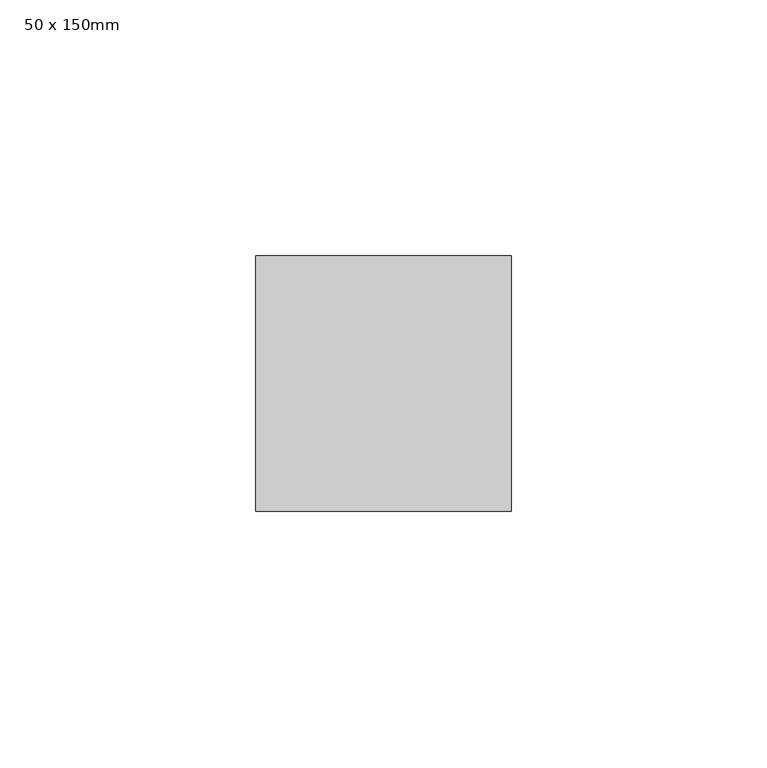
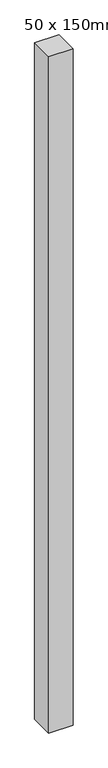
"""IFC4 building model written with IfcOpenShell, lengths in millimetres: member geometry, 50 x 150mm."""

from ifc_helpers import new_model, si_unit, frame, origin, place, context, project, spatial, polyline, outline, extrude, source, transform, mapped, element, save


def member_50_x_150mm_2f25e6bb(model_context):
    return source(origin(), model_context, "Body", "SweptSolid", [
        extrude(outline(polyline([(25.0, 25.0), (25.0, -25.0), (-25.0, -25.0), (-25.0, 25.0), (25.0, 25.0)])), frame((0.0, 0.0, -1470.0992803), z_axis=(0.0, 0.0, 1.0), x_axis=(1.0, 0.0, 0.0)), (0.0, 0.0, 1.0), 1470.0992803),
    ])


if __name__ == "__main__":
    model = new_model("IFC4")
    model_context = context("Model", 3, world=origin())
    ifc_project = project(units=[si_unit("LENGTHUNIT", "METRE", prefix="MILLI")], contexts=[model_context])
    site = spatial("IfcSite", under=ifc_project)
    building = spatial("IfcBuilding", under=site)
    placement = place(None, origin())
    member_50_x_150mm_shape = member_50_x_150mm_2f25e6bb(model_context)
    element("IfcMember", 1, ObjectType="50 x 150mm", at=placement, inside=building, context=model_context, shape_type="MappedRepresentation", body=[
        mapped(member_50_x_150mm_shape, transform((0.0, 0.0, 0.0), x_axis=(1.0, 0.0, 0.0), y_axis=(0.0, 1.0, 0.0), z_axis=(0.0, 0.0, 1.0))),
    ])
    save(model, "model.ifc")
